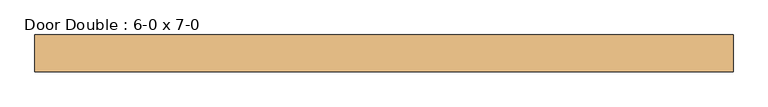
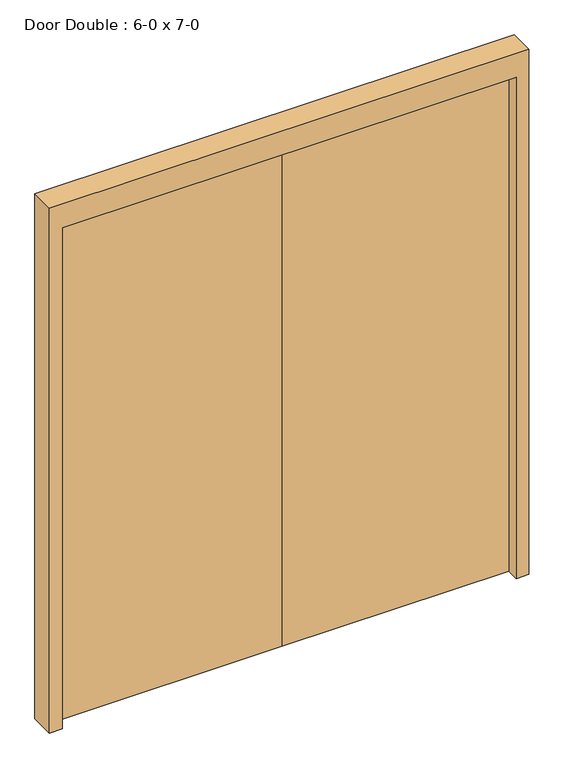
"""IFC4 building model written with IfcOpenShell, lengths in millimetres: door geometry, Door Double : 6-0 x 7-0."""

from ifc_helpers import new_model, si_unit, frame, origin, origin_with_axes, place, context, project, spatial, polyline, outline, extrude, source, transform, mapped, element, save


def door_double_6_0_x_7_0_08c20210(model_context):
    return source(origin(), model_context, "Body", "SweptSolid", [
        extrude(outline(polyline([(2133.6, 914.4), (0.0, 914.4), (0.0, 965.2), (2235.2, 965.2), (2235.2, -965.2), (0.0, -965.2), (0.0, -914.4), (2133.6, -914.4), (2133.6, 914.4)])), frame((0.0, -76.2, 0.0), z_axis=(0.0, 1.0, 0.0), x_axis=(0.0, 0.0, 1.0)), (0.0, 0.0, 1.0), 101.6),
        extrude(outline(polyline([(0.0, 25.4), (0.0, -25.4), (-914.4, -25.4), (-914.4, 25.4), (0.0, 25.4)])), origin_with_axes(), (0.0, 0.0, 1.0), 2133.6),
        extrude(outline(polyline([(914.4, 25.4), (914.4, -25.4), (0.0, -25.4), (0.0, 25.4), (914.4, 25.4)])), origin_with_axes(), (0.0, 0.0, 1.0), 2133.6),
    ])


if __name__ == "__main__":
    model = new_model("IFC4")
    model_context = context("Model", 3, world=origin())
    ifc_project = project(units=[si_unit("LENGTHUNIT", "METRE", prefix="MILLI")], contexts=[model_context])
    site = spatial("IfcSite", under=ifc_project)
    building = spatial("IfcBuilding", under=site)
    placement = place(None, origin())
    door_double_6_0_x_7_0_shape = door_double_6_0_x_7_0_08c20210(model_context)
    element("IfcDoor", 1, ObjectType="Door Double : 6-0 x 7-0", at=placement, inside=building, context=model_context, shape_type="MappedRepresentation", body=[
        mapped(door_double_6_0_x_7_0_shape, transform((0.0, 0.0, 0.0), x_axis=(1.0, 0.0, 0.0), y_axis=(0.0, 1.0, 0.0), z_axis=(0.0, 0.0, 1.0))),
    ])
    save(model, "model.ifc")
